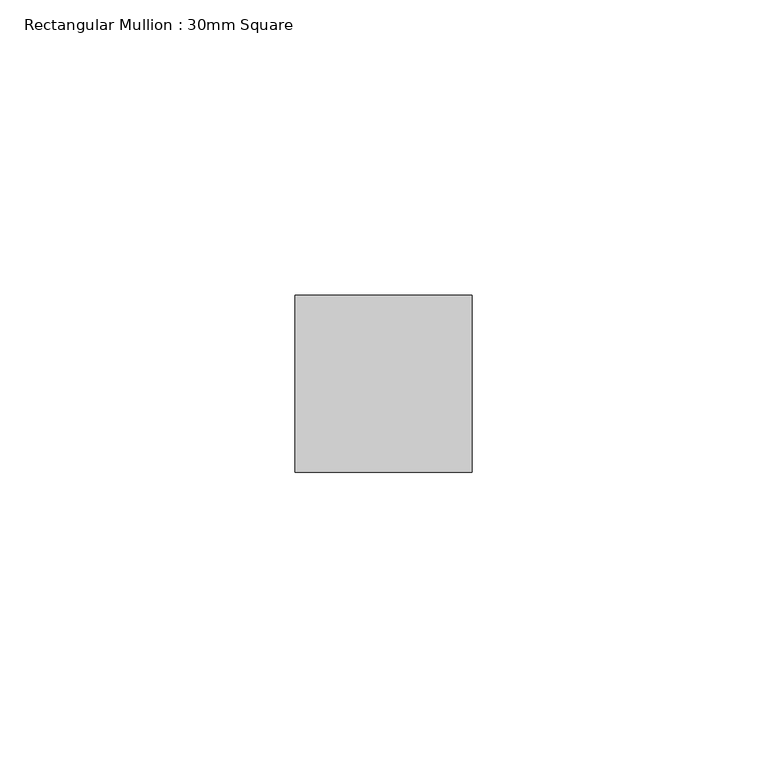
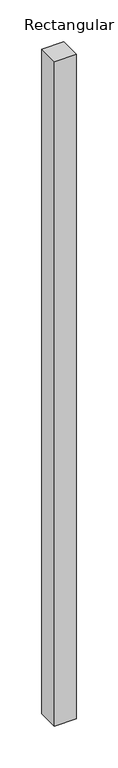
"""IFC4 building model written with IfcOpenShell, lengths in millimetres: member geometry, Rectangular Mullion : 30mm Square."""

from ifc_helpers import new_model, si_unit, frame, origin, place, context, project, spatial, polyline, outline, extrude, source, transform, mapped, element, save


def rectangular_mullion_30mm_square_c1f75a7c(model_context):
    return source(origin(), model_context, "Body", "SweptSolid", [
        extrude(outline(polyline([(0.0, 15.0), (0.0, -15.0), (-30.0, -15.0), (-30.0, 15.0), (0.0, 15.0)])), frame((0.0, 0.0, -969.445556), z_axis=(0.0, 0.0, 1.0), x_axis=(1.0, 0.0, 0.0)), (0.0, 0.0, 1.0), 969.445556),
    ])


if __name__ == "__main__":
    model = new_model("IFC4")
    model_context = context("Model", 3, world=origin())
    ifc_project = project(units=[si_unit("LENGTHUNIT", "METRE", prefix="MILLI")], contexts=[model_context])
    site = spatial("IfcSite", under=ifc_project)
    building = spatial("IfcBuilding", under=site)
    placement = place(None, origin())
    rectangular_mullion_30mm_square_shape = rectangular_mullion_30mm_square_c1f75a7c(model_context)
    element("IfcMember", 1, ObjectType="Rectangular Mullion : 30mm Square", at=placement, inside=building, context=model_context, shape_type="MappedRepresentation", body=[
        mapped(rectangular_mullion_30mm_square_shape, transform((0.0, 0.0, 0.0), x_axis=(1.0, 0.0, 0.0), y_axis=(0.0, 1.0, 0.0), z_axis=(0.0, 0.0, 1.0))),
    ])
    save(model, "model.ifc")
